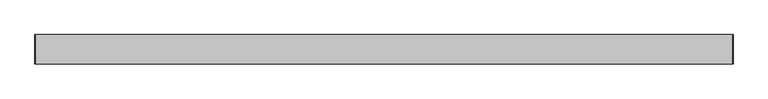
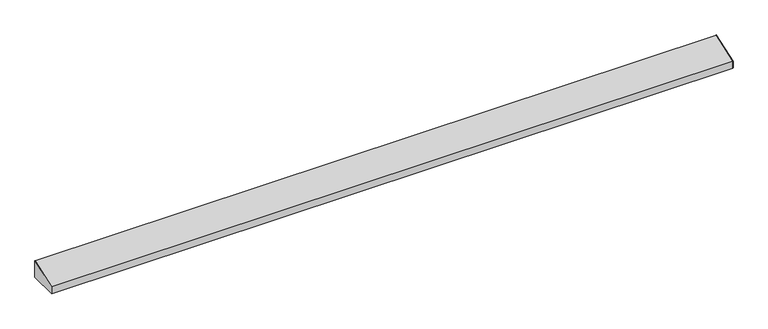
"""IFC4 building model written with IfcOpenShell, lengths in millimetres: furniture geometry."""

from ifc_helpers import new_model, si_unit, frame, origin, place, context, project, spatial, polyline, outline, extrude, source, transform, mapped, element, save


def furniture_87b473db(model_context):
    return source(origin(), model_context, "Body", "SweptSolid", [
        extrude(outline(polyline([(-97.4564663, 2121.3257204), (-21.2564663, 2148.5820312), (-21.2564663, 2102.5445312), (-97.4564663, 2102.5445312), (-97.4564663, 2121.3257204)])), frame((918.8502049, 0.0, 0.0), z_axis=(1.0, 0.0, 0.0), x_axis=(0.0, 1.0, 0.0)), (0.0, 0.0, 1.0), 0.79375),
        extrude(outline(polyline([(-21.2564662, 2102.5445312), (-97.4564662, 2102.5445312), (-97.4564662, 2121.3257204), (-21.2564662, 2148.5820312), (-21.2564662, 2102.5445312)])), frame((-882.1685451, 0.0, 0.0), z_axis=(1.0, 0.0, 0.0), x_axis=(0.0, 1.0, 0.0)), (0.0, 0.0, 1.0), 0.79375),
        extrude(outline(polyline([(-21.2564662, 2102.5445312), (-33.9564662, 2102.5445312), (-33.9564662, 2103.3382812), (-22.0502162, 2103.3382812), (-22.0502162, 2147.4993799), (-96.6627162, 2120.8208717), (-96.6627162, 2103.3382812), (-84.7564662, 2103.3382812), (-84.7564662, 2102.5445312), (-97.4564662, 2102.5445312), (-97.4564662, 2121.3257204), (-21.2564662, 2148.5820312), (-21.2564662, 2102.5445312)])), frame((-881.3747951, 0.0, 0.0), z_axis=(1.0, 0.0, 0.0), x_axis=(0.0, 1.0, 0.0)), (0.0, 0.0, 1.0), 1800.225),
    ])


if __name__ == "__main__":
    model = new_model("IFC4")
    model_context = context("Model", 3, world=origin())
    ifc_project = project(units=[si_unit("LENGTHUNIT", "METRE", prefix="MILLI")], contexts=[model_context])
    site = spatial("IfcSite", under=ifc_project)
    building = spatial("IfcBuilding", under=site)
    placement = place(None, origin())
    furniture_shape = furniture_87b473db(model_context)
    element("IfcFurniture", 1, at=placement, inside=building, context=model_context, shape_type="MappedRepresentation", body=[
        mapped(furniture_shape, transform((0.0, 0.0, 0.0), x_axis=(1.0, 0.0, 0.0), y_axis=(0.0, 1.0, 0.0), z_axis=(0.0, 0.0, 1.0))),
    ])
    save(model, "model.ifc")
